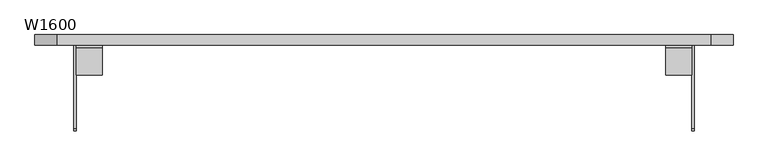
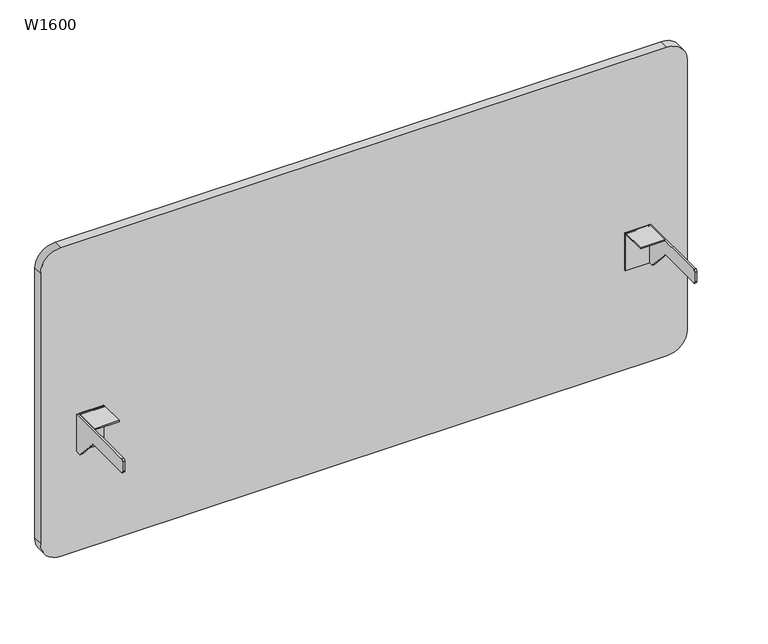
"""IFC4 building model written with IfcOpenShell, lengths in millimetres: furniture geometry, W1600."""

from ifc_helpers import new_model, si_unit, point, frame, frame_2d, origin, place, context, project, spatial, polyline, circle_curve, trimmed, segment, composite_curve, outline, extrude, source, transform, mapped, element, save


def w1600_8816d796(model_context):
    return source(origin(), model_context, "Body", "SweptSolid", [
        extrude(outline(composite_curve([segment(trimmed(circle_curve(frame_2d((-16.9999999, 713.5354697)), 5.0), [point((-16.9999999, 718.5354697))], [point((-11.9999999, 713.5354697))], False, "CARTESIAN"), True, "CONTINUOUS"), segment(polyline([(-11.9999999, 713.5354697), (-11.9999999, 618.6903385), (-14.9999999, 618.6903385), (-14.9999999, 712.5354697)]), True, "CONTINUOUS"), segment(trimmed(circle_curve(frame_2d((-17.9999999, 712.5354697)), 3.0), [point((-14.9999999, 712.5354697))], [point((-17.9999999, 715.5354697))], True, "CARTESIAN"), True, "CONTINUOUS"), segment(polyline([(-17.9999999, 715.5354697), (-80.8197962, 715.5354697), (-80.8197962, 718.5354697), (-16.9999999, 718.5354697)]), True, "CONTINUOUS")], self_intersect=False)), frame((645.1890113, 0.0, 0.0), z_axis=(1.0, 0.0, 0.0), x_axis=(0.0, 1.0, 0.0)), (0.0, 0.0, 1.0), 60.0781128),
        extrude(outline(composite_curve([segment(trimmed(circle_curve(frame_2d((-16.9999999, 713.5354697)), 5.0), [point((-16.9999999, 718.5354697))], [point((-11.9999999, 713.5354697))], False, "CARTESIAN"), True, "CONTINUOUS"), segment(polyline([(-11.9999999, 713.5354697), (-11.9999999, 618.6903385), (-14.9999999, 618.6903385), (-14.9999999, 712.5354697)]), True, "CONTINUOUS"), segment(trimmed(circle_curve(frame_2d((-17.9999999, 712.5354697)), 3.0), [point((-14.9999999, 712.5354697))], [point((-17.9999999, 715.5354697))], True, "CARTESIAN"), True, "CONTINUOUS"), segment(polyline([(-17.9999999, 715.5354697), (-80.8197962, 715.5354697), (-80.8197962, 718.5354697), (-16.9999999, 718.5354697)]), True, "CONTINUOUS")], self_intersect=False)), frame((-705.2671287, 0.0, 0.0), z_axis=(1.0, 0.0, 0.0), x_axis=(0.0, 1.0, 0.0)), (0.0, 0.0, 1.0), 60.0781128),
        extrude(outline(composite_curve([segment(polyline([(-11.9999999, 715.8755678), (-11.9999999, 618.6903385), (-23.6522009, 618.6903385)]), True, "CONTINUOUS"), segment(trimmed(circle_curve(frame_2d((-23.6522009, 625.6903385)), 7.0), [point((-23.6522009, 618.6903385))], [point((-28.876057, 621.030797))], False, "CARTESIAN"), True, "CONTINUOUS"), segment(polyline([(-28.876057, 621.030797), (-79.2685525, 677.5263013)]), True, "CONTINUOUS"), segment(trimmed(circle_curve(frame_2d((-85.984939, 671.5354622)), 9.0), [point((-79.2685525, 677.5263013))], [point((-85.984939, 680.5354622))], True, "CARTESIAN"), True, "CONTINUOUS"), segment(polyline([(-85.984939, 680.5354622), (-204.1205788, 680.5354622)]), True, "CONTINUOUS"), segment(trimmed(circle_curve(frame_2d((-204.1205788, 685.5354622)), 5.0), [point((-204.1205788, 680.5354622))], [point((-209.1205788, 685.5354622))], False, "CARTESIAN"), True, "CONTINUOUS"), segment(polyline([(-209.1205788, 685.5354622), (-209.1205788, 710.8755678)]), True, "CONTINUOUS"), segment(trimmed(circle_curve(frame_2d((-204.1205788, 710.8755678)), 5.0), [point((-209.1205788, 710.8755678))], [point((-204.1205788, 715.8755678))], False, "CARTESIAN"), True, "CONTINUOUS"), segment(polyline([(-204.1205788, 715.8755678), (-11.9999999, 715.8755678)]), True, "CONTINUOUS")], self_intersect=False)), frame((705.2602561, 0.0, 0.0), z_axis=(1.0, 0.0, 0.0), x_axis=(0.0, 1.0, 0.0)), (0.0, 0.0, 1.0), 5.2963383),
        extrude(outline(composite_curve([segment(polyline([(-11.9999999, 715.8755678), (-11.9999999, 618.6903385), (-23.6522009, 618.6903385)]), True, "CONTINUOUS"), segment(trimmed(circle_curve(frame_2d((-23.6522009, 625.6903385)), 7.0), [point((-23.6522009, 618.6903385))], [point((-28.876057, 621.030797))], False, "CARTESIAN"), True, "CONTINUOUS"), segment(polyline([(-28.876057, 621.030797), (-79.2685525, 677.5263013)]), True, "CONTINUOUS"), segment(trimmed(circle_curve(frame_2d((-85.984939, 671.5354622)), 9.0), [point((-79.2685525, 677.5263013))], [point((-85.984939, 680.5354622))], True, "CARTESIAN"), True, "CONTINUOUS"), segment(polyline([(-85.984939, 680.5354622), (-204.1205788, 680.5354622)]), True, "CONTINUOUS"), segment(trimmed(circle_curve(frame_2d((-204.1205788, 685.5354622)), 5.0), [point((-204.1205788, 680.5354622))], [point((-209.1205788, 685.5354622))], False, "CARTESIAN"), True, "CONTINUOUS"), segment(polyline([(-209.1205788, 685.5354622), (-209.1205788, 710.8755678)]), True, "CONTINUOUS"), segment(trimmed(circle_curve(frame_2d((-204.1205788, 710.8755678)), 5.0), [point((-209.1205788, 710.8755678))], [point((-204.1205788, 715.8755678))], False, "CARTESIAN"), True, "CONTINUOUS"), segment(polyline([(-204.1205788, 715.8755678), (-11.9999999, 715.8755678)]), True, "CONTINUOUS")], self_intersect=False)), frame((-710.5565991, 0.0, 0.0), z_axis=(1.0, 0.0, 0.0), x_axis=(0.0, 1.0, 0.0)), (0.0, 0.0, 1.0), 5.2963383),
        extrude(outline(composite_curve([segment(polyline([(1165.0000853, 749.9999977), (1165.0000853, -750.0000023)]), True, "CONTINUOUS"), segment(trimmed(circle_curve(frame_2d((1115.0000853, -750.0000023)), 50.0), [point((1165.0000853, -750.0000023))], [point((1115.0000853, -800.0000023))], False, "CARTESIAN"), True, "CONTINUOUS"), segment(polyline([(1115.0000853, -800.0000023), (408.0000853, -800.0000023)]), True, "CONTINUOUS"), segment(trimmed(circle_curve(frame_2d((408.0000853, -750.0000023)), 50.0), [point((408.0000853, -800.0000023))], [point((358.0000853, -750.0000023))], False, "CARTESIAN"), True, "CONTINUOUS"), segment(polyline([(358.0000853, -750.0000023), (358.0000853, 749.9999977)]), True, "CONTINUOUS"), segment(trimmed(circle_curve(frame_2d((408.0000853, 749.9999977)), 50.0), [point((358.0000853, 749.9999977))], [point((408.0000853, 799.9999977))], False, "CARTESIAN"), True, "CONTINUOUS"), segment(polyline([(408.0000853, 799.9999977), (1115.0000853, 799.9999977)]), True, "CONTINUOUS"), segment(trimmed(circle_curve(frame_2d((1115.0000853, 749.9999977)), 50.0), [point((1115.0000853, 799.9999977))], [point((1165.0000853, 749.9999977))], False, "CARTESIAN"), True, "CONTINUOUS")], self_intersect=False)), frame((0.0, -11.9999999, 0.0), z_axis=(0.0, 1.0, 0.0), x_axis=(0.0, 0.0, 1.0)), (0.0, 0.0, 1.0), 24.0000011),
    ])


if __name__ == "__main__":
    model = new_model("IFC4")
    model_context = context("Model", 3, world=origin())
    ifc_project = project(units=[si_unit("LENGTHUNIT", "METRE", prefix="MILLI")], contexts=[model_context])
    site = spatial("IfcSite", under=ifc_project)
    building = spatial("IfcBuilding", under=site)
    placement = place(None, origin())
    w1600_shape = w1600_8816d796(model_context)
    element("IfcFurniture", 1, ObjectType="W1600", at=placement, inside=building, context=model_context, shape_type="MappedRepresentation", body=[
        mapped(w1600_shape, transform((0.0, 0.0, 0.0), x_axis=(1.0, 0.0, 0.0), y_axis=(0.0, 1.0, 0.0), z_axis=(0.0, 0.0, 1.0))),
    ])
    save(model, "model.ifc")
